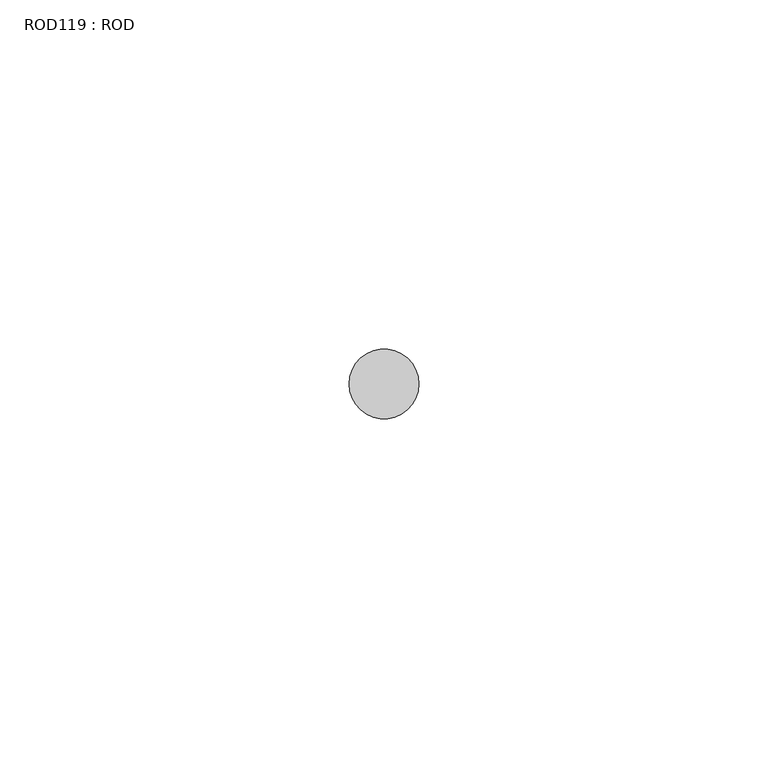
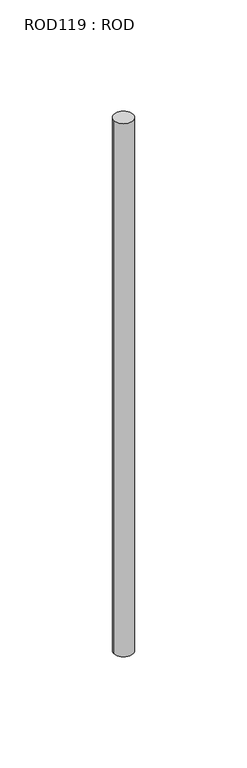
"""IFC4 building model written with IfcOpenShell, lengths in millimetres: proxy geometry, ROD119 : ROD."""

from ifc_helpers import new_model, si_unit, point, frame, frame_2d, origin, place, context, project, spatial, circle_curve, trimmed, segment, composite_curve, outline, extrude, source, transform, mapped, element, save


def rod119_rod_e7bc39eb(model_context):
    return source(origin(), model_context, "Body", "SweptSolid", [
        extrude(outline(composite_curve([segment(trimmed(circle_curve(frame_2d((9852.7784384, -12414.6300853)), 5.0), [point((9847.7784384, -12414.6300853))], [point((9857.7784384, -12414.6300853))], False, "CARTESIAN"), True, "CONTINUOUS"), segment(trimmed(circle_curve(frame_2d((9852.7784384, -12414.6300853)), 5.0), [point((9857.7784384, -12414.6300853))], [point((9847.7784384, -12414.6300853))], False, "CARTESIAN"), True, "CONTINUOUS")], self_intersect=False)), frame((0.0, 0.0, -208.6608845), z_axis=(0.0, 0.0, 1.0), x_axis=(1.0, 0.0, 0.0)), (0.0, 0.0, 1.0), 298.9028972),
    ])


if __name__ == "__main__":
    model = new_model("IFC4")
    model_context = context("Model", 3, world=origin())
    ifc_project = project(units=[si_unit("LENGTHUNIT", "METRE", prefix="MILLI")], contexts=[model_context])
    site = spatial("IfcSite", under=ifc_project)
    building = spatial("IfcBuilding", under=site)
    placement = place(None, origin())
    rod119_rod_shape = rod119_rod_e7bc39eb(model_context)
    element("IfcBuildingElementProxy", 1, Name="ROD119 : ROD", ObjectType="ROD119 : ROD", at=placement, inside=building, context=model_context, shape_type="MappedRepresentation", body=[
        mapped(rod119_rod_shape, transform((0.0, 0.0, 0.0), x_axis=(1.0, 0.0, 0.0), y_axis=(0.0, 1.0, 0.0), z_axis=(0.0, 0.0, 1.0))),
    ])
    save(model, "model.ifc")
